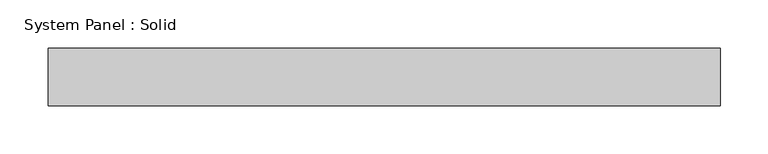
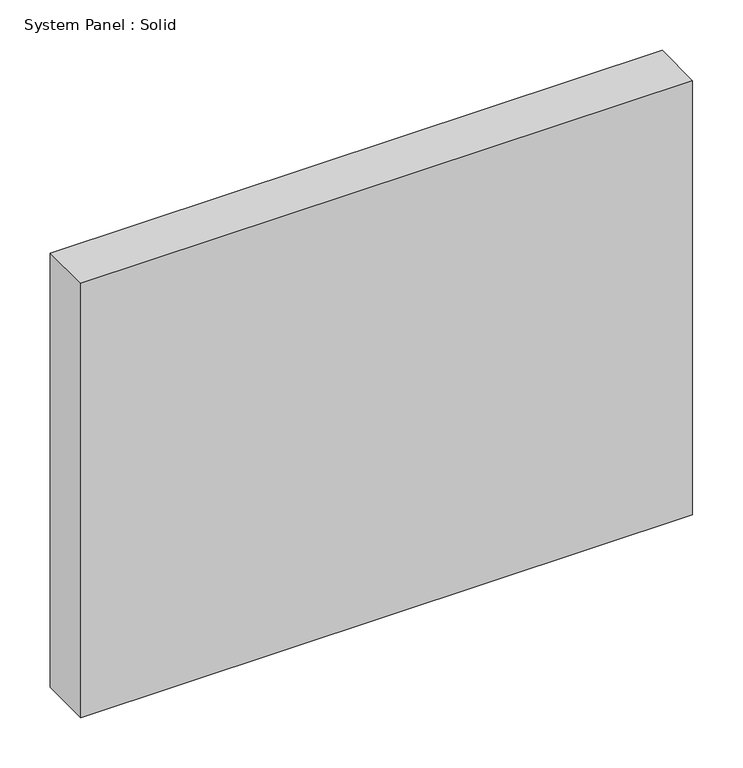
"""IFC4 building model written with IfcOpenShell, lengths in millimetres: plate geometry, System Panel : Solid."""

from ifc_helpers import new_model, si_unit, origin, origin_with_axes, place, context, project, spatial, polyline, outline, extrude, source, transform, mapped, element, save


def system_panel_solid_beee85ed(model_context):
    return source(origin(), model_context, "Body", "SweptSolid", [
        extrude(outline(polyline([(350.0, -10.5), (-350.0, -10.5), (-350.0, 49.5), (350.0, 49.5), (350.0, -10.5)])), origin_with_axes(), (0.0, 0.0, 1.0), 525.0),
    ])


if __name__ == "__main__":
    model = new_model("IFC4")
    model_context = context("Model", 3, world=origin())
    ifc_project = project(units=[si_unit("LENGTHUNIT", "METRE", prefix="MILLI")], contexts=[model_context])
    site = spatial("IfcSite", under=ifc_project)
    building = spatial("IfcBuilding", under=site)
    placement = place(None, origin())
    system_panel_solid_shape = system_panel_solid_beee85ed(model_context)
    element("IfcPlate", 1, ObjectType="System Panel : Solid", at=placement, inside=building, context=model_context, shape_type="MappedRepresentation", body=[
        mapped(system_panel_solid_shape, transform((0.0, 0.0, 0.0), x_axis=(1.0, 0.0, 0.0), y_axis=(0.0, 1.0, 0.0), z_axis=(0.0, 0.0, 1.0))),
    ])
    save(model, "model.ifc")
